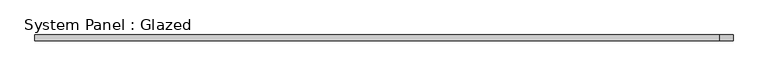
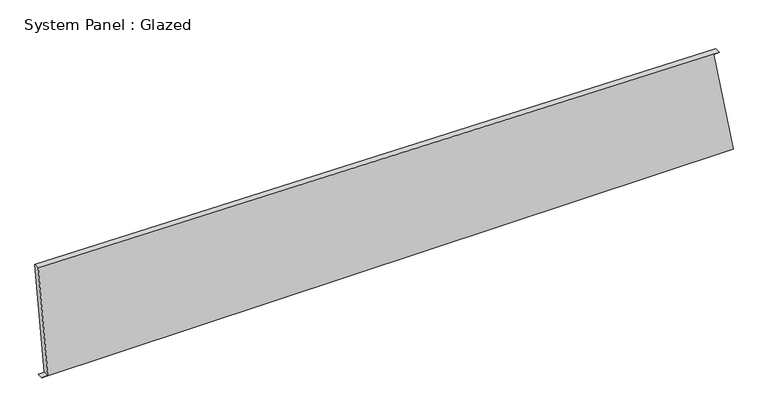
"""IFC4 building model written with IfcOpenShell, lengths in millimetres: plate geometry, System Panel : Glazed."""

import ifcopenshell
import ifcopenshell.guid

model = None  # the IFC model being written
_history = None  # IfcOwnerHistory: only IFC2X3 demands one
_inside = {}  # id of a spatial element -> (the spatial element, [elements in it])
_under = {}  # id of a project, library or spatial element -> (it, [spatial elements below it])
_declared = {}  # id of a project -> (the project, [libraries it declares])
_typed = {}  # id of a type object -> (the type object, [elements of that type])
_made_of = {}  # id of a material, layer set ... -> (it, [elements and type objects made of it])


def new_model(schema):
    """Start an empty IFC model of exactly this schema.

    Asked for "IFC4X3", IfcOpenShell would pick the latest addendum, in which some entities
    have other attributes; the version numbers below select the first issue.
    IFC2X3 requires an IfcOwnerHistory on every rooted entity: one is made here for all.
    """
    global model, _history
    if schema == "IFC4X3":
        model = ifcopenshell.file(schema_version=(4, 3, 0, 0))
    else:
        model = ifcopenshell.file(schema=schema)
    _inside.clear()
    _under.clear()
    _declared.clear()
    _typed.clear()
    _made_of.clear()
    _history = None
    if model.schema == "IFC2X3":
        org = make("IfcOrganization", Name="unknown")
        user = make(
            "IfcPersonAndOrganization",
            ThePerson=make("IfcPerson", FamilyName="unknown"),
            TheOrganization=org,
        )
        app = make(
            "IfcApplication",
            ApplicationDeveloper=org,
            Version="unknown",
            ApplicationFullName="unknown",
            ApplicationIdentifier="unknown",
        )
        _history = make(
            "IfcOwnerHistory",
            OwningUser=user,
            OwningApplication=app,
            ChangeAction="ADDED",
            CreationDate=0,
        )
    return model


def make(cls, **values):
    """One entity of the class cls with the attributes given. An attribute that is None is left unset."""
    return model.create_entity(
        cls, **{name: value for name, value in values.items() if value is not None}
    )


def rooted(cls, **values):
    """An entity with a GlobalId (a new one), such as an element, a storey or a relation."""
    return make(cls, GlobalId=ifcopenshell.guid.new(), OwnerHistory=_history, **values)


def si_unit(unit_type, name, prefix=None):
    """IfcSIUnit, for example si_unit("LENGTHUNIT", "METRE", prefix="MILLI")."""
    return make("IfcSIUnit", UnitType=unit_type, Prefix=prefix, Name=name)


def assignment(units):
    """IfcUnitAssignment: the units of a project."""
    return None if units is None else make("IfcUnitAssignment", Units=units)


def point(xyz):
    """IfcCartesianPoint."""
    return None if xyz is None else make("IfcCartesianPoint", Coordinates=xyz)


def direction(xyz):
    """IfcDirection."""
    return None if xyz is None else make("IfcDirection", DirectionRatios=xyz)


def frame(location, z_axis=None, x_axis=None):
    """IfcAxis2Placement3D, a coordinate frame: its origin and axes. An axis left out is left unset."""
    return make(
        "IfcAxis2Placement3D",
        Location=point(location),
        Axis=direction(z_axis),
        RefDirection=direction(x_axis),
    )


def origin():
    """The frame at (0, 0, 0) with its axes left unset."""
    return frame((0.0, 0.0, 0.0))


def place(relative_to, where):
    """IfcLocalPlacement: puts the frame where relative to a parent placement (None: the world)."""
    return make(
        "IfcLocalPlacement", PlacementRelTo=relative_to, RelativePlacement=where
    )


def context(
    kind, dimensions, precision=None, world=None, true_north=None, identifier=None
):
    """IfcGeometricRepresentationContext, for example the 3D "Model" context."""
    return make(
        "IfcGeometricRepresentationContext",
        ContextIdentifier=identifier,
        ContextType=kind,
        CoordinateSpaceDimension=dimensions,
        Precision=precision,
        WorldCoordinateSystem=world,
        TrueNorth=true_north,
    )


def project(units=None, contexts=None):
    """IfcProject with its units and contexts."""
    return rooted(
        "IfcProject",
        Name="project",
        RepresentationContexts=contexts,
        UnitsInContext=assignment(units),
    )


def spatial(cls, under=None, at=None, **own):
    """A site, building, storey or space (cls), placed at a placement, below another one or the project."""
    s = rooted(cls, ObjectPlacement=at, **own)
    if under is not None:
        _under.setdefault(under.id(), (under, []))[1].append(s)
    return s


def polyline(points):
    """IfcPolyline through the points."""
    return make("IfcPolyline", Points=[point(p) for p in points])


def outline(outer, holes=None, kind="AREA"):
    """IfcArbitraryClosedProfileDef: a profile drawn as a closed curve; with holes, ...WithVoids."""
    if holes is None:
        return make("IfcArbitraryClosedProfileDef", ProfileType=kind, OuterCurve=outer)
    return make(
        "IfcArbitraryProfileDefWithVoids",
        ProfileType=kind,
        OuterCurve=outer,
        InnerCurves=holes,
    )


def extrude(swept, where, along, depth):
    """IfcExtrudedAreaSolid: the profile swept, set in the frame where, extruded along a direction by depth."""
    return make(
        "IfcExtrudedAreaSolid",
        SweptArea=swept,
        Position=where,
        ExtrudedDirection=direction(along),
        Depth=depth,
    )


def shape(context_of_items, identifier, shape_type, items):
    """IfcShapeRepresentation: the items that make up one representation, for example the "Body"."""
    return make(
        "IfcShapeRepresentation",
        ContextOfItems=context_of_items,
        RepresentationIdentifier=identifier,
        RepresentationType=shape_type,
        Items=items,
    )


def source(mapping_origin, context_of_items, identifier, shape_type, items):
    """IfcRepresentationMap: a shape defined once, which mapped items show again and again."""
    return make(
        "IfcRepresentationMap",
        MappingOrigin=mapping_origin,
        MappedRepresentation=shape(context_of_items, identifier, shape_type, items),
    )


def transform(
    local_origin,
    x_axis=None,
    y_axis=None,
    z_axis=None,
    scale=None,
    scale2=None,
    scale3=None,
    uniform=True,
):
    """IfcCartesianTransformationOperator3D, or its non-uniform kind. x_axis, y_axis, z_axis: its Axis1, 2, 3."""
    if uniform:
        return make(
            "IfcCartesianTransformationOperator3D",
            Axis1=direction(x_axis),
            Axis2=direction(y_axis),
            LocalOrigin=point(local_origin),
            Scale=scale,
            Axis3=direction(z_axis),
        )
    return make(
        "IfcCartesianTransformationOperator3DnonUniform",
        Axis1=direction(x_axis),
        Axis2=direction(y_axis),
        LocalOrigin=point(local_origin),
        Scale=scale,
        Axis3=direction(z_axis),
        Scale2=scale2,
        Scale3=scale3,
    )


def mapped(mapping_source, mapping_target):
    """IfcMappedItem: shows the shape of a source again, moved by a transform."""
    return make(
        "IfcMappedItem", MappingSource=mapping_source, MappingTarget=mapping_target
    )


def made_of(thing, what):
    """Note that an element or type object is made of a material, layer set ...; save() writes the relation."""
    if what is not None:
        _made_of.setdefault(what.id(), (what, []))[1].append(thing)
    return thing


def element(
    cls,
    number,
    at=None,
    inside=None,
    cuts=None,
    type_object=None,
    material=None,
    context=None,
    identifier="Body",
    shape_type=None,
    held_by="IfcProductDefinitionShape",
    body=None,
    shapes=None,
    **own,
):
    """One element of the class cls, such as IfcWall. Its Tag is "e" and its number.

    at: its placement. inside: the storey or other place that contains it. cuts: it is an
    opening in that element (IfcRelVoidsElement). A single representation is given by context,
    identifier, shape_type and body (its items); several are given by shapes. held_by: the class
    of the entity that holds the representations. save() writes the other relations.
    """
    e = rooted(cls, Tag="e%d" % number, ObjectPlacement=at, **own)
    if body is not None:
        shapes = [shape(context, identifier, shape_type, body)]
    if shapes is not None:
        e.Representation = make(held_by, Representations=shapes)
    if inside is not None:
        _inside.setdefault(inside.id(), (inside, []))[1].append(e)
    if cuts is not None:
        rooted(
            "IfcRelVoidsElement", RelatingBuildingElement=cuts, RelatedOpeningElement=e
        )
    if type_object is not None:
        _typed.setdefault(type_object.id(), (type_object, []))[1].append(e)
    return made_of(e, material)


def aggregate(whole, parts):
    """IfcRelAggregates: a whole, such as a stair, and the parts it consists of."""
    return rooted("IfcRelAggregates", RelatingObject=whole, RelatedObjects=parts)


def save(model, path):
    """Write the relations noted so far, then the file.

    IfcRelAggregates (storeys below a building ...), IfcRelContainedInSpatialStructure (elements
    in a storey), IfcRelDefinesByType, IfcRelAssociatesMaterial and IfcRelDeclares: one each for
    every whole, place, type object, material and project.
    """
    for whole, parts in _under.values():
        aggregate(whole, parts)
    for where, things in _inside.values():
        rooted(
            "IfcRelContainedInSpatialStructure",
            RelatedElements=things,
            RelatingStructure=where,
        )
    for kind, things in _typed.values():
        rooted("IfcRelDefinesByType", RelatedObjects=things, RelatingType=kind)
    for what, things in _made_of.values():
        rooted("IfcRelAssociatesMaterial", RelatedObjects=things, RelatingMaterial=what)
    for by, libraries in _declared.values():
        rooted("IfcRelDeclares", RelatingContext=by, RelatedDefinitions=libraries)
    model.write(path)


def system_panel_glazed_213393f9(model_context):
    return source(origin(), model_context, "Body", "SweptSolid", [
        extrude(outline(polyline([(0.0, -1457.10153), (0.0, 1471.7054683), (452.1023031, 1388.7661262), (456.6133371, 1413.3557698), (497.6190818, -1471.7054683), (1.9873495, -1432.1806464), (0.0, -1457.10153)])), frame((0.0, -49.5, 0.0), z_axis=(0.0, 1.0, 0.0), x_axis=(0.0, 0.0, 1.0)), (0.0, 0.0, 1.0), 25.0),
    ])


if __name__ == "__main__":
    model = new_model("IFC4")
    model_context = context("Model", 3, world=origin())
    ifc_project = project(units=[si_unit("LENGTHUNIT", "METRE", prefix="MILLI")], contexts=[model_context])
    site = spatial("IfcSite", under=ifc_project)
    building = spatial("IfcBuilding", under=site)
    placement = place(None, origin())
    system_panel_glazed_shape = system_panel_glazed_213393f9(model_context)
    element("IfcPlate", 1, ObjectType="System Panel : Glazed", at=placement, inside=building, context=model_context, shape_type="MappedRepresentation", body=[
        mapped(system_panel_glazed_shape, transform((0.0, 0.0, 0.0), x_axis=(1.0, 0.0, 0.0), y_axis=(0.0, 1.0, 0.0), z_axis=(0.0, 0.0, 1.0))),
    ])
    save(model, "model.ifc")
